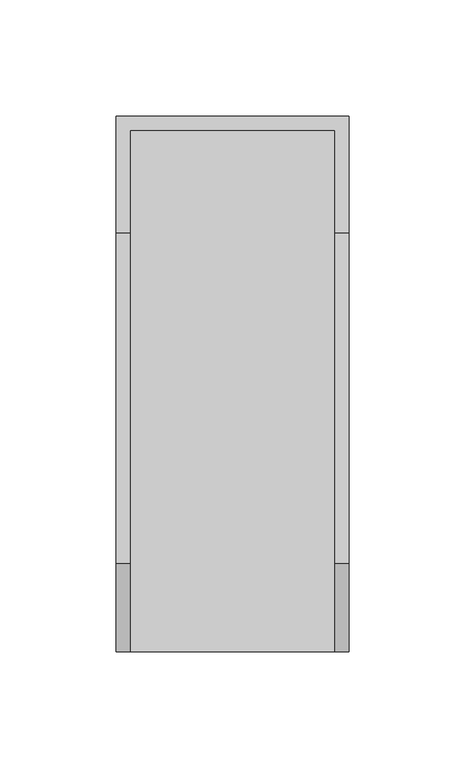
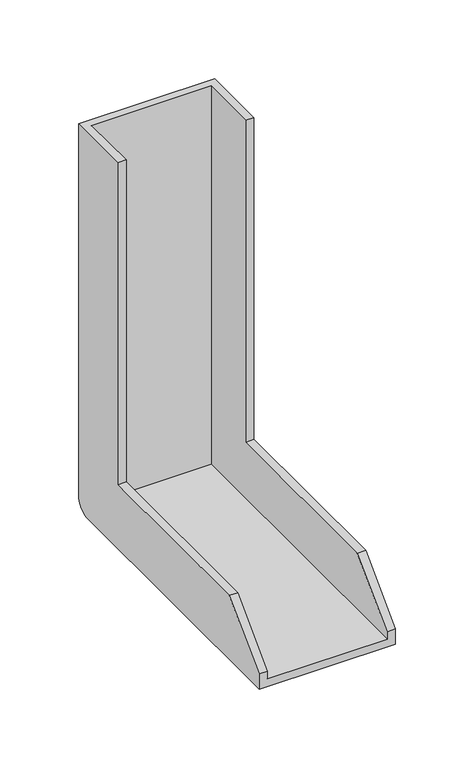
"""IFC4 building model written with IfcOpenShell, lengths in millimetres: proxy geometry."""

from ifc_helpers import new_model, si_unit, frame, origin, place, context, project, spatial, circle_curve, source, transform, mapped, element, save
from ifc_brep_helpers import plane_surface, cylinder_surface, advanced_brep


def specialty_equipment_14df7643(model_context):
    return source(origin(), model_context, "Body", "AdvancedBrep", [
        advanced_brep(
        [(50.0, 250.0, 300.0), (50.0, 250.0, 50.0), (50.0, 108.0, 50.0), (50.0, 70.0, 12.0), (50.0, 70.0, 0.0), (50.0, 288.0, 0.0), (50.0, 300.0, 12.0), (50.0, 300.0, 300.0), (-50.0, 250.0, 300.0), (-50.0, 300.0, 300.0), (-50.0, 300.0, 12.0), (-50.0, 288.0, 0.0), (-50.0, 70.0, 0.0), (-50.0, 70.0, 12.0), (-50.0, 108.0, 50.0), (-50.0, 250.0, 50.0), (44.0, 294.0, 6.0), (-44.0, 294.0, 6.0), (-44.0, 70.0, 6.0), (44.0, 70.0, 6.0), (44.0, 294.0, 300.0), (-44.0, 294.0, 300.0), (-44.0, 250.0, 300.0), (-44.0, 250.0, 50.0), (-44.0, 108.0, 50.0), (-44.0, 70.0, 12.0), (44.0, 70.0, 12.0), (44.0, 108.0, 50.0), (44.0, 250.0, 50.0), (44.0, 250.0, 300.0)],
        [
            (0, 1),
            (1, 2),
            (2, 3),
            (3, 4),
            (4, 5),
            (5, 6, circle_curve(frame((50.0, 288.0, 12.0), z_axis=(1.0, 0.0, 0.0), x_axis=(0.0, 1.0, 0.0)), 12.0)),
            (6, 7),
            (7, 0),
            (8, 9),
            (9, 10),
            (10, 11, circle_curve(frame((-50.0, 288.0, 12.0), z_axis=(-1.0, 0.0, 0.0), x_axis=(0.0, 1.0, 0.0)), 12.0)),
            (11, 12),
            (12, 13),
            (13, 14),
            (14, 15),
            (15, 8),
            (16, 17),
            (17, 18),
            (18, 19),
            (19, 16),
            (16, 20),
            (20, 21),
            (21, 17),
            (21, 22),
            (22, 23),
            (23, 24),
            (24, 25),
            (25, 18),
            (19, 26),
            (26, 27),
            (27, 28),
            (28, 29),
            (29, 20),
            (0, 29),
            (28, 1),
            (15, 23),
            (22, 8),
            (27, 2),
            (14, 24),
            (26, 3),
            (13, 25),
            (12, 4),
            (11, 5),
            (10, 6),
            (9, 7),
        ],
        [
            plane_surface(frame((50.0, 250.0, 300.0), z_axis=(1.0, 0.0, 0.0), x_axis=(0.0, 0.0, -1.0))),
            plane_surface(frame((-50.0, 250.0, 300.0), z_axis=(-1.0, 0.0, 0.0), x_axis=(0.0, 0.0, 1.0))),
            plane_surface(frame((-30.3824594, 294.0, 6.0), z_axis=(0.0, 0.0, 1.0), x_axis=(1.0, 0.0, 0.0))),
            plane_surface(frame((44.0, 294.0, 300.0), z_axis=(0.0, -1.0, 0.0), x_axis=(0.0, 0.0, -1.0))),
            plane_surface(frame((-44.0, 294.0, 300.0), z_axis=(1.0, 0.0, 0.0), x_axis=(0.0, 0.0, -1.0))),
            plane_surface(frame((44.0, 70.0, 300.0), z_axis=(-1.0, 0.0, 0.0), x_axis=(0.0, 0.0, -1.0))),
            plane_surface(frame((50.0, 250.0, 300.0), z_axis=(0.0, -1.0, 0.0), x_axis=(-1.0, 0.0, 0.0))),
            plane_surface(frame((50.0, 250.0, 50.0), z_axis=(0.0, 0.0, 1.0), x_axis=(-1.0, 0.0, 0.0))),
            plane_surface(frame((50.0, 108.0, 50.0), z_axis=(0.0, -0.707106781186547, 0.707106781186548), x_axis=(-1.0, 0.0, 0.0))),
            plane_surface(frame((50.0, 70.0, 12.0), z_axis=(0.0, -1.0, 0.0), x_axis=(-1.0, 0.0, 0.0))),
            plane_surface(frame((50.0, 70.0, 0.0), z_axis=(0.0, 0.0, -1.0), x_axis=(-1.0, 0.0, 0.0))),
            cylinder_surface(frame((-50.0, 288.0, 12.0), z_axis=(1.0, 0.0, 0.0), x_axis=(0.0, 1.0, 0.0)), 12.0),
            plane_surface(frame((50.0, 300.0, 12.0), z_axis=(0.0, 1.0, 0.0), x_axis=(-1.0, 0.0, 0.0))),
            plane_surface(frame((50.0, 300.0, 300.0), z_axis=(0.0, 0.0, 1.0), x_axis=(-1.0, 0.0, 0.0))),
        ],
        [
            (0, [[1, 2, 3, 4, 5, 6, 7, 8]]),
            (1, [[9, 10, 11, 12, 13, 14, 15, 16]]),
            (2, [[17, 18, 19, 20]]),
            (3, [[-17, 21, 22, 23]]),
            (4, [[-18, -23, 24, 25, 26, 27, 28]]),
            (5, [[-20, 29, 30, 31, 32, 33, -21]]),
            (6, [[-1, 34, -32, 35]]),
            (6, [[-16, 36, -25, 37]]),
            (7, [[-2, -35, -31, 38]]),
            (7, [[-15, 39, -26, -36]]),
            (8, [[-3, -38, -30, 40]]),
            (8, [[-14, 41, -27, -39]]),
            (9, [[-4, -40, -29, -19, -28, -41, -13, 42]]),
            (10, [[-5, -42, -12, 43]]),
            (11, [[-6, -43, -11, 44]]),
            (12, [[-7, -44, -10, 45]]),
            (13, [[-8, -45, -9, -37, -24, -22, -33, -34]]),
        ],
    ),
    ])


if __name__ == "__main__":
    model = new_model("IFC4")
    model_context = context("Model", 3, world=origin())
    ifc_project = project(units=[si_unit("LENGTHUNIT", "METRE", prefix="MILLI")], contexts=[model_context])
    site = spatial("IfcSite", under=ifc_project)
    building = spatial("IfcBuilding", under=site)
    placement = place(None, origin())
    specialty_equipment_shape = specialty_equipment_14df7643(model_context)
    element("IfcBuildingElementProxy", 1, Name="Specialty Equipment", at=placement, inside=building, context=model_context, shape_type="MappedRepresentation", body=[
        mapped(specialty_equipment_shape, transform((0.0, 0.0, 0.0), x_axis=(1.0, 0.0, 0.0), y_axis=(0.0, 1.0, 0.0), z_axis=(0.0, 0.0, 1.0))),
    ])
    save(model, "model.ifc")
